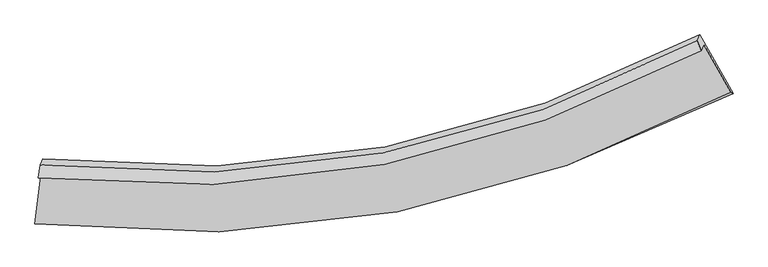
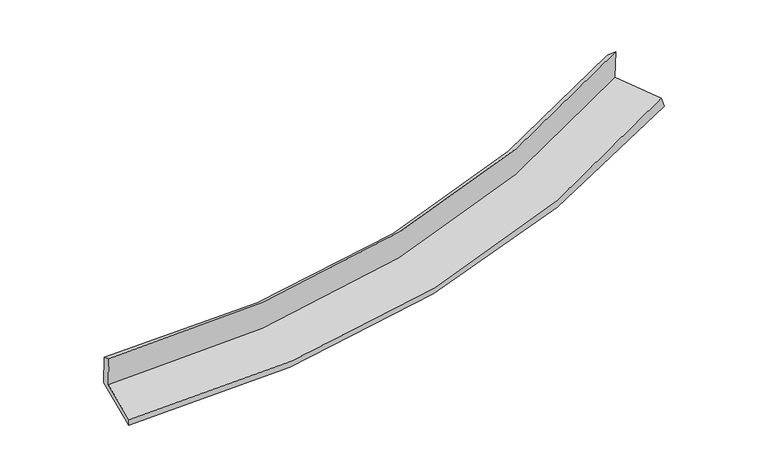
"""IFC4 building model written with IfcOpenShell, lengths in millimetres: proxy geometry."""

from ifc_helpers import new_model, si_unit, frame, origin, place, context, project, spatial, source, transform, mapped, element, save
from ifc_brep_helpers import plane_surface, spline_curve, spline_surface, advanced_brep


def generic_models_aa05aea1(model_context):
    return source(origin(), model_context, "Body", "AdvancedBrep", [
        advanced_brep(
        [(-3730.2478007, -2064.5794511, 1958.81817), (-3701.2755666, -1998.5764525, 1559.1602691), (3529.4795786, -609.347963, 2306.2035639), (3500.8819186, -674.4976267, 2700.6943964), (-3708.8051153, -1923.4257498, 1887.2202916), (3458.2261986, -568.0764833, 2606.3697526), (-3680.2395304, -1858.3491576, 1493.1719181), (3487.0197824, -502.4804763, 2209.1762456), (-3761.4986169, -2554.7508838, 1372.2713696), (3848.549049, -1142.3563376, 2129.7097444), (-3767.8645609, -2569.253438, 1460.0864759), (3821.8372298, -1126.795985, 2241.9414369)],
        [
            (0, 1),
            (1, 2, spline_curve(3, [(-3701.2755666, -1998.5764525, 1559.1602691), (-2403.688858895, -2140.813069636, 1629.17316528), (-1146.641532649, -2093.088001754, 1727.3452242), (1262.002071191, -1622.476462728, 1977.47667013), (2415.206459843, -1207.12536733, 2128.319042495), (3529.4795786, -609.347963, 2306.2035639)], [4, 2, 4], [0.0, 12.41113923002454, 24.573625880883366])),
            (2, 3),
            (3, 0, spline_curve(3, [(3500.8819186, -674.4976267, 2700.6943964), (2386.483081895, -1272.561434888, 2524.544093155), (1233.184612324, -1688.126860825, 2374.999523105), (-1175.585156607, -2159.025821989, 2126.608459996), (-2432.66325998, -2206.821004146, 2028.860954685), (-3730.2478007, -2064.5794511, 1958.81817)], [4, 2, 4], [0.0, 12.162486650858826, 24.573625880883366])),
            (4, 0),
            (3, 5),
            (5, 4, spline_curve(3, [(3458.2261986, -568.0764833, 2606.3697526), (2352.407336584, -1157.544378881, 2425.797461048), (1208.67624486, -1565.932257114, 2275.875288194), (-1178.768174623, -2025.195111495, 2034.892754421), (-2424.047521291, -2068.59032202, 1945.098440815), (-3708.8051153, -1923.4257498, 1887.2202916)], [4, 2, 4], [0.0, 12.104458438073646, 24.456383113639003])),
            (6, 4),
            (5, 7),
            (7, 6, spline_curve(3, [(3487.0197824, -502.4804763, 2209.1762456), (2381.319411174, -1091.678432583, 2026.969430853), (1237.629547429, -1499.972388157, 1876.478544206), (-1149.887680921, -1959.401110214, 1636.500363535), (-2395.284254386, -2003.063381279, 1548.323141652), (-3680.2395304, -1858.3491576, 1493.1719181)], [4, 2, 4], [0.0, 12.046526994871316, 24.339335863939194])),
            (8, 6),
            (7, 9),
            (9, 8, spline_curve(3, [(3848.549049, -1142.3563376, 2129.7097444), (2664.955698426, -1742.201322423, 1940.097923118), (1445.769189478, -2160.488302474, 1782.483753831), (-1089.443140374, -2638.785994305, 1528.682587383), (-2406.939186496, -2691.297195752, 1433.817298423), (-3761.4986169, -2554.7508838, 1372.2713696)], [4, 2, 4], [0.0, 12.405799769557945, 25.065226465735883])),
            (10, 8),
            (9, 11),
            (11, 10, spline_curve(3, [(3821.8372298, -1126.795985, 2241.9414369), (2649.872187959, -1757.543425029, 2054.429718884), (1438.220015745, -2193.892778608, 1895.882479721), (-1090.041248454, -2682.741816431, 1634.067741146), (-2408.289672933, -2727.211614571, 1531.99665975), (-3767.8645609, -2569.253438, 1460.0864759)], [4, 2, 4], [0.0, 12.765058157396265, 25.791087999708033])),
            (1, 10),
            (11, 2),
        ],
        [
            spline_surface(3, 3, [[(-3730.2478007, -2064.5794511, 1958.81817), (-2432.663259911, -2206.821004304, 2028.860954855), (-1175.585156594, -2159.02582202, 2126.608460153), (1233.184612312, -1688.126860795, 2374.999522952), (2386.483082042, -1272.561434912, 2524.544093129), (3500.8819186, -674.4976267, 2700.6943964)], [(-3720.590389332, -2042.578451563, 1825.59886969), (-2423.005126304, -2184.8183594, 1895.631691604), (-1165.93728199, -2137.04654863, 1993.520714872), (1242.790431964, -1666.243394754, 2242.491905311), (2396.057541349, -1250.749412339, 2392.469076231), (3510.41447192, -652.781072109, 2569.197452231)], [(-3710.932977968, -2020.577452037, 1692.37956941), (-2413.346992701, -2162.815714506, 1762.402428382), (-1156.28940736, -2115.067275221, 1860.432969588), (1252.396251642, -1644.359928693, 2109.984287666), (2405.632000694, -1228.937389838, 2260.39405934), (3519.94702528, -631.064517591, 2437.700508069)], [(-3701.2755666, -1998.5764525, 1559.1602691), (-2403.688859093, -2140.813069603, 1629.173165132), (-1146.641532756, -2093.088001832, 1727.345224308), (1262.002071295, -1622.476462652, 1977.476670024), (2415.206460001, -1207.125367265, 2128.319042442), (3529.4795786, -609.347963, 2306.2035639)]], [4, 4], [4, 2, 4], [0.0, 1.3282108411819014], [0.0, 12.41113923002454, 24.573625880883366]),
            spline_surface(3, 3, [[(-3708.8051153, -1923.4257498, 1887.2202916), (-2424.047521366, -2068.590322009, 1945.09844066), (-1178.768174822, -2025.195111491, 2034.892754605), (1208.676245055, -1565.932257119, 2275.875288015), (2352.407336444, -1157.54437881, 2425.797461009), (3458.2261986, -568.0764833, 2606.3697526)], [(-3715.952677107, -1970.47698355, 1911.086251078), (-2426.919434222, -2114.667216091, 1973.019278737), (-1177.707168756, -2069.805348333, 2065.464656473), (1216.845700797, -1606.663791677, 2308.916699679), (2363.765918313, -1195.883397513, 2458.713005027), (3472.444771936, -603.550197769, 2637.811300511)], [(-3723.100238893, -2017.52821735, 1934.952210522), (-2429.791347056, -2160.744110223, 2000.940116778), (-1176.64616266, -2114.415585177, 2096.036558285), (1225.015156569, -1647.395326237, 2341.958111287), (2375.124500174, -1234.222416209, 2491.628549112), (3486.663345264, -639.023912231, 2669.252848489)], [(-3730.2478007, -2064.5794511, 1958.81817), (-2432.663259911, -2206.821004304, 2028.860954855), (-1175.585156594, -2159.02582202, 2126.608460153), (1233.184612312, -1688.126860795, 2374.999522952), (2386.483082042, -1272.561434912, 2524.544093129), (3500.8819186, -674.4976267, 2700.6943964)]], [4, 4], [4, 2, 4], [0.0, 0.5258919208397411], [0.0, 12.351924675565357, 24.456383113639003]),
            spline_surface(3, 3, [[(-3680.2395304, -1858.3491576, 1493.1719181), (-2395.28425458, -2003.063381478, 1548.323141523), (-1149.88768076, -1959.401110197, 1636.50036373), (1237.629547271, -1499.972388173, 1876.478544014), (2381.319411042, -1091.678432394, 2026.969430995), (3487.0197824, -502.4804763, 2209.1762456)], [(-3689.761392054, -1880.041355005, 1624.521375916), (-2404.872010195, -2024.905694994, 1680.581574551), (-1159.514512097, -1981.332443937, 1769.297827352), (1227.97844655, -1521.95901113, 2009.610792012), (2371.682052834, -1113.63374789, 2159.91210769), (3477.421921125, -524.34581199, 2341.57408129)], [(-3699.283253646, -1901.733552395, 1755.870833784), (-2414.459765751, -2046.748008493, 1812.840007631), (-1169.141343485, -2003.263777751, 1902.095290983), (1218.327345776, -1543.945634162, 2142.743040017), (2362.044694652, -1135.589063315, 2292.854784315), (3467.824059875, -546.21114761, 2473.97191691)], [(-3708.8051153, -1923.4257498, 1887.2202916), (-2424.047521366, -2068.590322009, 1945.09844066), (-1178.768174822, -2025.195111491, 2034.892754605), (1208.676245055, -1565.932257119, 2275.875288015), (2352.407336444, -1157.54437881, 2425.797461009), (3458.2261986, -568.0764833, 2606.3697526)]], [4, 4], [4, 2, 4], [0.0, 1.3297895589514201], [0.0, 12.292808869067878, 24.339335863939194]),
            spline_surface(3, 3, [[(-3761.4986169, -2554.7508838, 1372.2713696), (-2406.939186536, -2691.297195901, 1433.817298404), (-1089.443140281, -2638.785994152, 1528.682587391), (1445.769189387, -2160.488302623, 1782.483753824), (2664.955698454, -1742.201322292, 1940.097923075), (3848.549049, -1142.3563376, 2129.7097444)], [(-3734.412254735, -2322.616975065, 1412.571552441), (-2403.054209219, -2461.885924425, 1471.985912785), (-1109.591320441, -2412.324366182, 1564.621846167), (1376.389308681, -1940.316331154, 1813.815350551), (2570.410269331, -1525.360358965, 1969.055092365), (3728.039293481, -929.064383805, 2156.198578116)], [(-3707.325892565, -2090.483066335, 1452.871735259), (-2399.169231897, -2232.474652953, 1510.154527143), (-1129.7395006, -2185.862738168, 1600.561104953), (1307.009427977, -1720.144359642, 1845.146947287), (2475.864840165, -1308.519395722, 1998.012261706), (3607.529537919, -715.772430095, 2182.687411884)], [(-3680.2395304, -1858.3491576, 1493.1719181), (-2395.28425458, -2003.063381478, 1548.323141523), (-1149.88768076, -1959.401110197, 1636.50036373), (1237.629547271, -1499.972388173, 1876.478544014), (2381.319411042, -1091.678432394, 2026.969430995), (3487.0197824, -502.4804763, 2209.1762456)]], [4, 4], [4, 2, 4], [0.0, 2.2657634180143975], [0.0, 12.659426696177938, 25.065226465735883]),
            spline_surface(3, 3, [[(-3767.8645609, -2569.253438, 1460.0864759), (-2408.289673026, -2727.211614383, 1531.996659628), (-1090.041248347, -2682.741816603, 1634.067740935), (1438.220015641, -2193.89277844, 1895.882479928), (2649.872187886, -1757.54342517, 2054.429718949), (3821.8372298, -1126.795985, 2241.9414369)], [(-3765.742579565, -2564.419253291, 1430.814773792), (-2407.839510861, -2715.24014158, 1499.270205878), (-1089.841878995, -2668.089875778, 1598.939356423), (1440.736406886, -2182.757953159, 1858.082904562), (2654.900024745, -1752.429390883, 2016.319120328), (3830.741169536, -1131.982769206, 2204.530872737)], [(-3763.620598235, -2559.585068509, 1401.543071708), (-2407.389348701, -2703.268668704, 1466.543752154), (-1089.642509634, -2653.437934977, 1563.810971903), (1443.252798141, -2171.623127904, 1820.28332919), (2659.927861595, -1747.315356579, 1978.208521696), (3839.645109264, -1137.169553394, 2167.120308563)], [(-3761.4986169, -2554.7508838, 1372.2713696), (-2406.939186536, -2691.297195901, 1433.817298404), (-1089.443140281, -2638.785994152, 1528.682587391), (1445.769189387, -2160.488302623, 1782.483753824), (2664.955698454, -1742.201322292, 1940.097923075), (3848.549049, -1142.3563376, 2129.7097444)]], [4, 4], [4, 2, 4], [0.0, 0.3807584531754522], [0.0, 13.026029842311768, 25.791087999708033]),
            spline_surface(3, 3, [[(-3701.2755666, -1998.5764525, 1559.1602691), (-2403.688859093, -2140.813069603, 1629.173165132), (-1146.641532756, -2093.088001832, 1727.345224308), (1262.002071295, -1622.476462652, 1977.476670024), (2415.206460001, -1207.125367265, 2128.319042442), (3529.4795786, -609.347963, 2306.2035639)], [(-3723.471898008, -2188.802114325, 1526.135671383), (-2405.222463712, -2336.279251188, 1596.780996646), (-1127.774771281, -2289.639273435, 1696.252729834), (1320.741386081, -1812.948567928, 1950.278606643), (2493.428369297, -1390.598053254, 2103.68926796), (3626.932129002, -781.830637021, 2284.782854915)], [(-3745.668229492, -2379.027776175, 1493.111073617), (-2406.756068407, -2531.745432797, 1564.388828113), (-1108.908009821, -2486.190544999, 1665.160235409), (1379.480700854, -2003.420673164, 1923.08054331), (2571.650278589, -1574.070739181, 2079.059493432), (3724.384679398, -954.313310979, 2263.362145885)], [(-3767.8645609, -2569.253438, 1460.0864759), (-2408.289673026, -2727.211614383, 1531.996659628), (-1090.041248347, -2682.741816603, 1634.067740935), (1438.220015641, -2193.89277844, 1895.882479928), (2649.872187886, -1757.54342517, 2054.429718949), (3821.8372298, -1126.795985, 2241.9414369)]], [4, 4], [4, 2, 4], [0.0, 1.9634866160045161], [0.0, 12.718672100003932, 25.182530313658226]),
            plane_surface(frame((3607.6656262, -770.5924787, 2365.6825233), z_axis=(0.8693262449882965, 0.47362800631620583, 0.14123877444768596), x_axis=(-0.4890626406167196, 0.8655990189012713, 0.1074991722301044))),
            plane_surface(frame((-3724.9885318, -2161.4891888, 1621.7880824), z_axis=(-0.990891486562007, 0.12452184122259967, -0.05126765956692171), x_axis=(-0.07134152596880088, -0.16252645972303756, 0.9841217082060221))),
        ],
        [
            (0, [[1, 2, 3, 4]]),
            (1, [[5, -4, 6, 7]]),
            (2, [[8, -7, 9, 10]]),
            (3, [[11, -10, 12, 13]]),
            (4, [[14, -13, 15, 16]]),
            (5, [[17, -16, 18, -2]]),
            (6, [[-12, -9, -6, -3, -18, -15]]),
            (7, [[-1, -5, -8, -11, -14, -17]]),
        ],
    ),
    ])


if __name__ == "__main__":
    model = new_model("IFC4")
    model_context = context("Model", 3, world=origin())
    ifc_project = project(units=[si_unit("LENGTHUNIT", "METRE", prefix="MILLI")], contexts=[model_context])
    site = spatial("IfcSite", under=ifc_project)
    building = spatial("IfcBuilding", under=site)
    placement = place(None, origin())
    generic_models_shape = generic_models_aa05aea1(model_context)
    element("IfcBuildingElementProxy", 1, Name="Generic Models", at=placement, inside=building, context=model_context, shape_type="MappedRepresentation", body=[
        mapped(generic_models_shape, transform((0.0, 0.0, 0.0), x_axis=(1.0, 0.0, 0.0), y_axis=(0.0, 1.0, 0.0), z_axis=(0.0, 0.0, 1.0))),
    ])
    save(model, "model.ifc")
